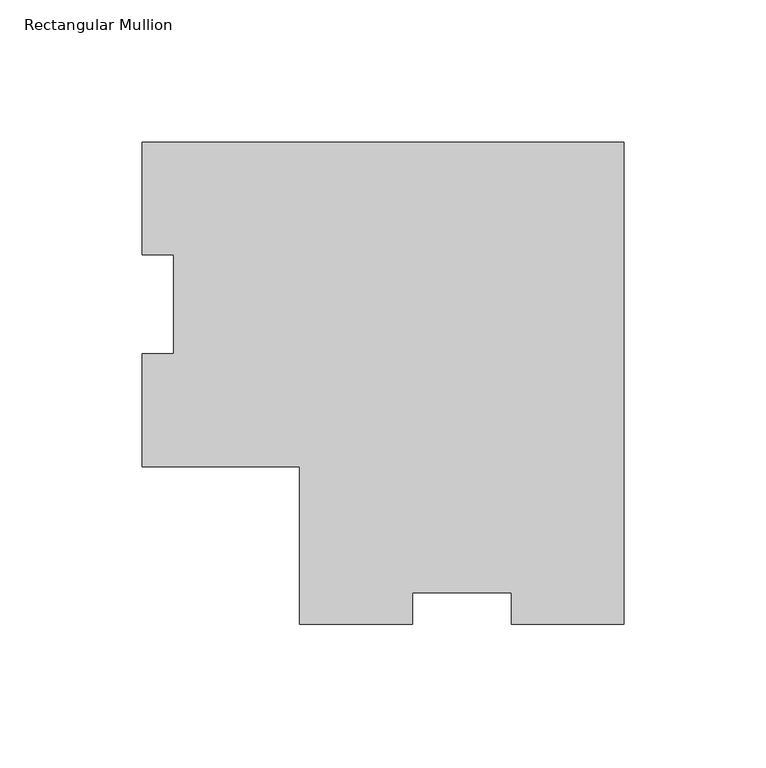
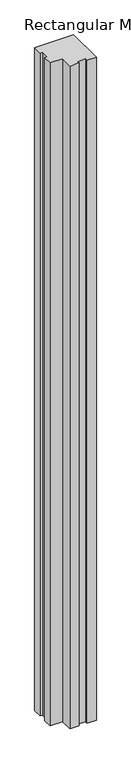
"""IFC4 building model written with IfcOpenShell, lengths in millimetres: member geometry, Rectangular Mullion."""

from ifc_helpers import new_model, si_unit, frame, origin, place, context, project, spatial, polyline, outline, extrude, source, transform, mapped, element, save


def rectangular_mullion_21d63258(model_context):
    return source(origin(), model_context, "Body", "SweptSolid", [
        extrude(outline(polyline([(0.0, 114.271425), (0.0, -55.591075), (-39.6748, -55.591075), (-39.6748, -44.478575), (-74.6252, -44.478575), (-74.6252, -55.591075), (-114.3, -55.591075), (-114.3, -0.028575), (-169.8625, -0.028575), (-169.8625, 39.646225), (-158.75, 39.646225), (-158.75, 74.596625), (-169.8625, 74.596625), (-169.8625, 114.271425), (0.0, 114.271425)])), frame((0.0, 0.0, -3048.0), z_axis=(0.0, 0.0, 1.0), x_axis=(1.0, 0.0, 0.0)), (0.0, 0.0, 1.0), 3048.0),
    ])


if __name__ == "__main__":
    model = new_model("IFC4")
    model_context = context("Model", 3, world=origin())
    ifc_project = project(units=[si_unit("LENGTHUNIT", "METRE", prefix="MILLI")], contexts=[model_context])
    site = spatial("IfcSite", under=ifc_project)
    building = spatial("IfcBuilding", under=site)
    placement = place(None, origin())
    rectangular_mullion_shape = rectangular_mullion_21d63258(model_context)
    element("IfcMember", 1, ObjectType="Rectangular Mullion", at=placement, inside=building, context=model_context, shape_type="MappedRepresentation", body=[
        mapped(rectangular_mullion_shape, transform((0.0, 0.0, 0.0), x_axis=(1.0, 0.0, 0.0), y_axis=(0.0, 1.0, 0.0), z_axis=(0.0, 0.0, 1.0))),
    ])
    save(model, "model.ifc")
